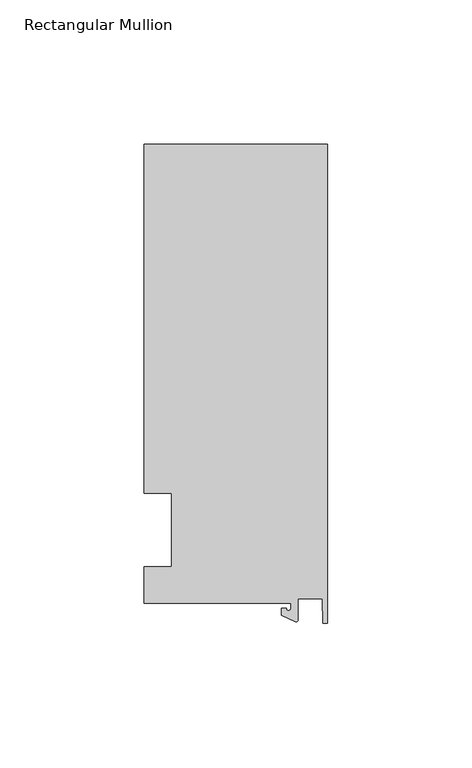
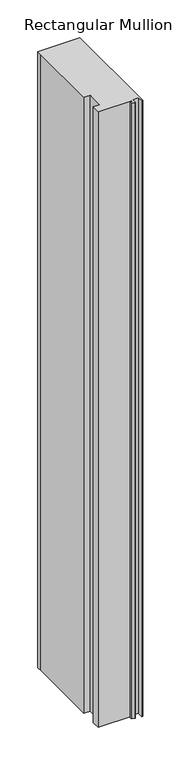
"""IFC4 building model written with IfcOpenShell, lengths in millimetres: member geometry, Rectangular Mullion."""

from ifc_helpers import new_model, si_unit, point, frame, frame_2d, origin, place, context, project, spatial, polyline, circle_curve, trimmed, segment, composite_curve, outline, extrude, source, transform, mapped, element, save


def rectangular_mullion_a6527ffa(model_context):
    return source(origin(), model_context, "Body", "SweptSolid", [
        extrude(outline(composite_curve([segment(polyline([(-12.6979967, -25.4849312), (-63.5, -25.4849312), (-63.5, -12.7), (-53.975, -12.7), (-53.975, 12.7), (-63.5, 12.7), (-63.5, 125.6958688), (-63.5, 133.4428688), (0.0, 133.4428688), (0.0, -32.288874), (-1.5658966, -32.288874), (-1.7144124, -23.9227662), (-10.3103967, -23.9227662), (-10.3103967, -31.3654561)]), True, "CONTINUOUS"), segment(trimmed(circle_curve(frame_2d((-10.8183967, -31.3654561)), 0.508), [point((-10.3103967, -31.3654561))], [point((-11.0330867, -31.8258605))], False, "CARTESIAN"), True, "CONTINUOUS"), segment(polyline([(-11.0330867, -31.8258605), (-15.8729967, -29.5689734), (-15.8729967, -27.2067741), (-14.2854967, -27.2067741)]), True, "CONTINUOUS"), segment(trimmed(circle_curve(frame_2d((-13.4917467, -27.2067741)), 0.79375), [point((-14.2854967, -27.2067741))], [point((-12.6979967, -27.2067741))], True, "CARTESIAN"), True, "CONTINUOUS"), segment(polyline([(-12.6979967, -27.2067741), (-12.6979967, -25.4849312)]), True, "CONTINUOUS")], self_intersect=False)), frame((0.0, 0.0, -990.6), z_axis=(0.0, 0.0, 1.0), x_axis=(1.0, 0.0, 0.0)), (0.0, 0.0, 1.0), 990.6),
    ])


if __name__ == "__main__":
    model = new_model("IFC4")
    model_context = context("Model", 3, world=origin())
    ifc_project = project(units=[si_unit("LENGTHUNIT", "METRE", prefix="MILLI")], contexts=[model_context])
    site = spatial("IfcSite", under=ifc_project)
    building = spatial("IfcBuilding", under=site)
    placement = place(None, origin())
    rectangular_mullion_shape = rectangular_mullion_a6527ffa(model_context)
    element("IfcMember", 1, ObjectType="Rectangular Mullion", at=placement, inside=building, context=model_context, shape_type="MappedRepresentation", body=[
        mapped(rectangular_mullion_shape, transform((0.0, 0.0, 0.0), x_axis=(1.0, 0.0, 0.0), y_axis=(0.0, 1.0, 0.0), z_axis=(0.0, 0.0, 1.0))),
    ])
    save(model, "model.ifc")
